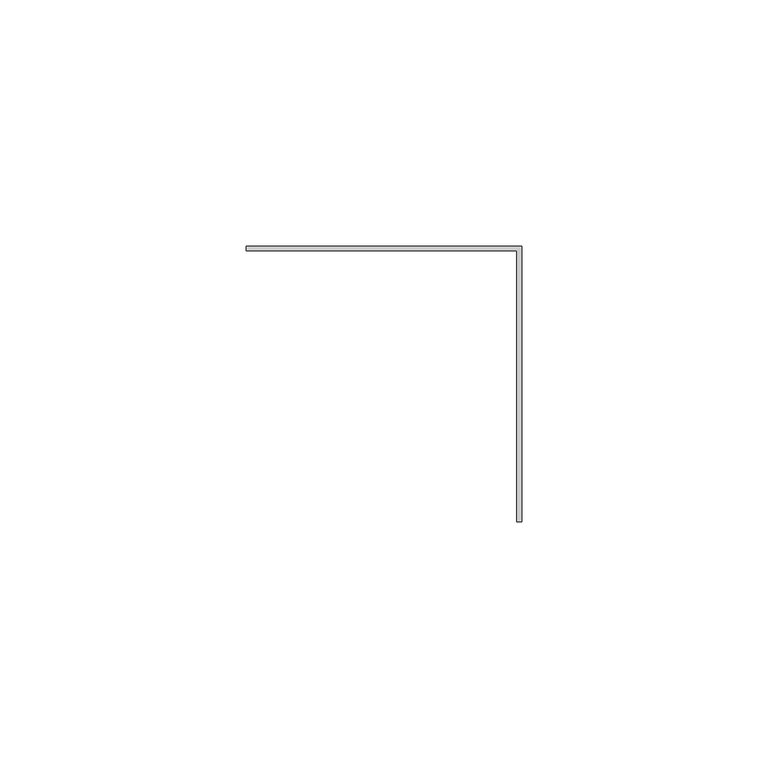
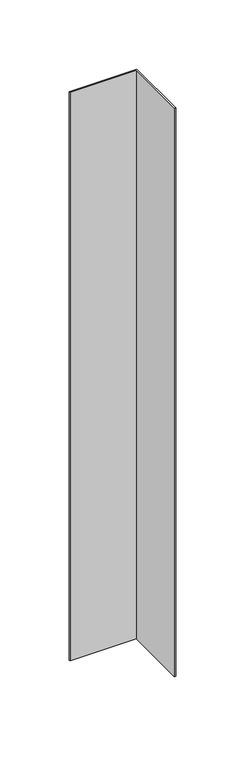
"""IFC4 building model written with IfcOpenShell, lengths in millimetres: proxy geometry."""

import ifcopenshell
import ifcopenshell.guid

model = None  # the IFC model being written
_history = None  # IfcOwnerHistory: only IFC2X3 demands one
_inside = {}  # id of a spatial element -> (the spatial element, [elements in it])
_under = {}  # id of a project, library or spatial element -> (it, [spatial elements below it])
_declared = {}  # id of a project -> (the project, [libraries it declares])
_typed = {}  # id of a type object -> (the type object, [elements of that type])
_made_of = {}  # id of a material, layer set ... -> (it, [elements and type objects made of it])


def new_model(schema):
    """Start an empty IFC model of exactly this schema.

    Asked for "IFC4X3", IfcOpenShell would pick the latest addendum, in which some entities
    have other attributes; the version numbers below select the first issue.
    IFC2X3 requires an IfcOwnerHistory on every rooted entity: one is made here for all.
    """
    global model, _history
    if schema == "IFC4X3":
        model = ifcopenshell.file(schema_version=(4, 3, 0, 0))
    else:
        model = ifcopenshell.file(schema=schema)
    _inside.clear()
    _under.clear()
    _declared.clear()
    _typed.clear()
    _made_of.clear()
    _history = None
    if model.schema == "IFC2X3":
        org = make("IfcOrganization", Name="unknown")
        user = make(
            "IfcPersonAndOrganization",
            ThePerson=make("IfcPerson", FamilyName="unknown"),
            TheOrganization=org,
        )
        app = make(
            "IfcApplication",
            ApplicationDeveloper=org,
            Version="unknown",
            ApplicationFullName="unknown",
            ApplicationIdentifier="unknown",
        )
        _history = make(
            "IfcOwnerHistory",
            OwningUser=user,
            OwningApplication=app,
            ChangeAction="ADDED",
            CreationDate=0,
        )
    return model


def make(cls, **values):
    """One entity of the class cls with the attributes given. An attribute that is None is left unset."""
    return model.create_entity(
        cls, **{name: value for name, value in values.items() if value is not None}
    )


def rooted(cls, **values):
    """An entity with a GlobalId (a new one), such as an element, a storey or a relation."""
    return make(cls, GlobalId=ifcopenshell.guid.new(), OwnerHistory=_history, **values)


def si_unit(unit_type, name, prefix=None):
    """IfcSIUnit, for example si_unit("LENGTHUNIT", "METRE", prefix="MILLI")."""
    return make("IfcSIUnit", UnitType=unit_type, Prefix=prefix, Name=name)


def assignment(units):
    """IfcUnitAssignment: the units of a project."""
    return None if units is None else make("IfcUnitAssignment", Units=units)


def point(xyz):
    """IfcCartesianPoint."""
    return None if xyz is None else make("IfcCartesianPoint", Coordinates=xyz)


def direction(xyz):
    """IfcDirection."""
    return None if xyz is None else make("IfcDirection", DirectionRatios=xyz)


def frame(location, z_axis=None, x_axis=None):
    """IfcAxis2Placement3D, a coordinate frame: its origin and axes. An axis left out is left unset."""
    return make(
        "IfcAxis2Placement3D",
        Location=point(location),
        Axis=direction(z_axis),
        RefDirection=direction(x_axis),
    )


def origin():
    """The frame at (0, 0, 0) with its axes left unset."""
    return frame((0.0, 0.0, 0.0))


def origin_with_axes():
    """The frame at (0, 0, 0) with the z axis (0, 0, 1) and the x axis (1, 0, 0) written out."""
    return frame((0.0, 0.0, 0.0), z_axis=(0.0, 0.0, 1.0), x_axis=(1.0, 0.0, 0.0))


def place(relative_to, where):
    """IfcLocalPlacement: puts the frame where relative to a parent placement (None: the world)."""
    return make(
        "IfcLocalPlacement", PlacementRelTo=relative_to, RelativePlacement=where
    )


def context(
    kind, dimensions, precision=None, world=None, true_north=None, identifier=None
):
    """IfcGeometricRepresentationContext, for example the 3D "Model" context."""
    return make(
        "IfcGeometricRepresentationContext",
        ContextIdentifier=identifier,
        ContextType=kind,
        CoordinateSpaceDimension=dimensions,
        Precision=precision,
        WorldCoordinateSystem=world,
        TrueNorth=true_north,
    )


def project(units=None, contexts=None):
    """IfcProject with its units and contexts."""
    return rooted(
        "IfcProject",
        Name="project",
        RepresentationContexts=contexts,
        UnitsInContext=assignment(units),
    )


def spatial(cls, under=None, at=None, **own):
    """A site, building, storey or space (cls), placed at a placement, below another one or the project."""
    s = rooted(cls, ObjectPlacement=at, **own)
    if under is not None:
        _under.setdefault(under.id(), (under, []))[1].append(s)
    return s


def polyline(points):
    """IfcPolyline through the points."""
    return make("IfcPolyline", Points=[point(p) for p in points])


def outline(outer, holes=None, kind="AREA"):
    """IfcArbitraryClosedProfileDef: a profile drawn as a closed curve; with holes, ...WithVoids."""
    if holes is None:
        return make("IfcArbitraryClosedProfileDef", ProfileType=kind, OuterCurve=outer)
    return make(
        "IfcArbitraryProfileDefWithVoids",
        ProfileType=kind,
        OuterCurve=outer,
        InnerCurves=holes,
    )


def extrude(swept, where, along, depth):
    """IfcExtrudedAreaSolid: the profile swept, set in the frame where, extruded along a direction by depth."""
    return make(
        "IfcExtrudedAreaSolid",
        SweptArea=swept,
        Position=where,
        ExtrudedDirection=direction(along),
        Depth=depth,
    )


def shape(context_of_items, identifier, shape_type, items):
    """IfcShapeRepresentation: the items that make up one representation, for example the "Body"."""
    return make(
        "IfcShapeRepresentation",
        ContextOfItems=context_of_items,
        RepresentationIdentifier=identifier,
        RepresentationType=shape_type,
        Items=items,
    )


def source(mapping_origin, context_of_items, identifier, shape_type, items):
    """IfcRepresentationMap: a shape defined once, which mapped items show again and again."""
    return make(
        "IfcRepresentationMap",
        MappingOrigin=mapping_origin,
        MappedRepresentation=shape(context_of_items, identifier, shape_type, items),
    )


def transform(
    local_origin,
    x_axis=None,
    y_axis=None,
    z_axis=None,
    scale=None,
    scale2=None,
    scale3=None,
    uniform=True,
):
    """IfcCartesianTransformationOperator3D, or its non-uniform kind. x_axis, y_axis, z_axis: its Axis1, 2, 3."""
    if uniform:
        return make(
            "IfcCartesianTransformationOperator3D",
            Axis1=direction(x_axis),
            Axis2=direction(y_axis),
            LocalOrigin=point(local_origin),
            Scale=scale,
            Axis3=direction(z_axis),
        )
    return make(
        "IfcCartesianTransformationOperator3DnonUniform",
        Axis1=direction(x_axis),
        Axis2=direction(y_axis),
        LocalOrigin=point(local_origin),
        Scale=scale,
        Axis3=direction(z_axis),
        Scale2=scale2,
        Scale3=scale3,
    )


def mapped(mapping_source, mapping_target):
    """IfcMappedItem: shows the shape of a source again, moved by a transform."""
    return make(
        "IfcMappedItem", MappingSource=mapping_source, MappingTarget=mapping_target
    )


def made_of(thing, what):
    """Note that an element or type object is made of a material, layer set ...; save() writes the relation."""
    if what is not None:
        _made_of.setdefault(what.id(), (what, []))[1].append(thing)
    return thing


def element(
    cls,
    number,
    at=None,
    inside=None,
    cuts=None,
    type_object=None,
    material=None,
    context=None,
    identifier="Body",
    shape_type=None,
    held_by="IfcProductDefinitionShape",
    body=None,
    shapes=None,
    **own,
):
    """One element of the class cls, such as IfcWall. Its Tag is "e" and its number.

    at: its placement. inside: the storey or other place that contains it. cuts: it is an
    opening in that element (IfcRelVoidsElement). A single representation is given by context,
    identifier, shape_type and body (its items); several are given by shapes. held_by: the class
    of the entity that holds the representations. save() writes the other relations.
    """
    e = rooted(cls, Tag="e%d" % number, ObjectPlacement=at, **own)
    if body is not None:
        shapes = [shape(context, identifier, shape_type, body)]
    if shapes is not None:
        e.Representation = make(held_by, Representations=shapes)
    if inside is not None:
        _inside.setdefault(inside.id(), (inside, []))[1].append(e)
    if cuts is not None:
        rooted(
            "IfcRelVoidsElement", RelatingBuildingElement=cuts, RelatedOpeningElement=e
        )
    if type_object is not None:
        _typed.setdefault(type_object.id(), (type_object, []))[1].append(e)
    return made_of(e, material)


def aggregate(whole, parts):
    """IfcRelAggregates: a whole, such as a stair, and the parts it consists of."""
    return rooted("IfcRelAggregates", RelatingObject=whole, RelatedObjects=parts)


def save(model, path):
    """Write the relations noted so far, then the file.

    IfcRelAggregates (storeys below a building ...), IfcRelContainedInSpatialStructure (elements
    in a storey), IfcRelDefinesByType, IfcRelAssociatesMaterial and IfcRelDeclares: one each for
    every whole, place, type object, material and project.
    """
    for whole, parts in _under.values():
        aggregate(whole, parts)
    for where, things in _inside.values():
        rooted(
            "IfcRelContainedInSpatialStructure",
            RelatedElements=things,
            RelatingStructure=where,
        )
    for kind, things in _typed.values():
        rooted("IfcRelDefinesByType", RelatedObjects=things, RelatingType=kind)
    for what, things in _made_of.values():
        rooted("IfcRelAssociatesMaterial", RelatedObjects=things, RelatingMaterial=what)
    for by, libraries in _declared.values():
        rooted("IfcRelDeclares", RelatingContext=by, RelatedDefinitions=libraries)
    model.write(path)


def generic_models_7c933fd4(model_context):
    return source(origin(), model_context, "Body", "SweptSolid", [
        extrude(outline(polyline([(116.0, 91.0), (116.0, 35.0), (115.0, 35.0), (115.0, 90.0), (60.0, 90.0), (60.0, 91.0), (116.0, 91.0)])), origin_with_axes(), (0.0, 0.0, 1.0), 500.0),
    ])


if __name__ == "__main__":
    model = new_model("IFC4")
    model_context = context("Model", 3, world=origin())
    ifc_project = project(units=[si_unit("LENGTHUNIT", "METRE", prefix="MILLI")], contexts=[model_context])
    site = spatial("IfcSite", under=ifc_project)
    building = spatial("IfcBuilding", under=site)
    placement = place(None, origin())
    generic_models_shape = generic_models_7c933fd4(model_context)
    element("IfcBuildingElementProxy", 1, Name="Generic Models", at=placement, inside=building, context=model_context, shape_type="MappedRepresentation", body=[
        mapped(generic_models_shape, transform((0.0, 0.0, 0.0), x_axis=(1.0, 0.0, 0.0), y_axis=(0.0, 1.0, 0.0), z_axis=(0.0, 0.0, 1.0))),
    ])
    save(model, "model.ifc")
